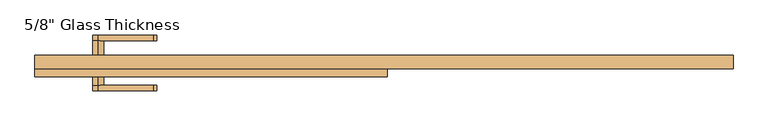
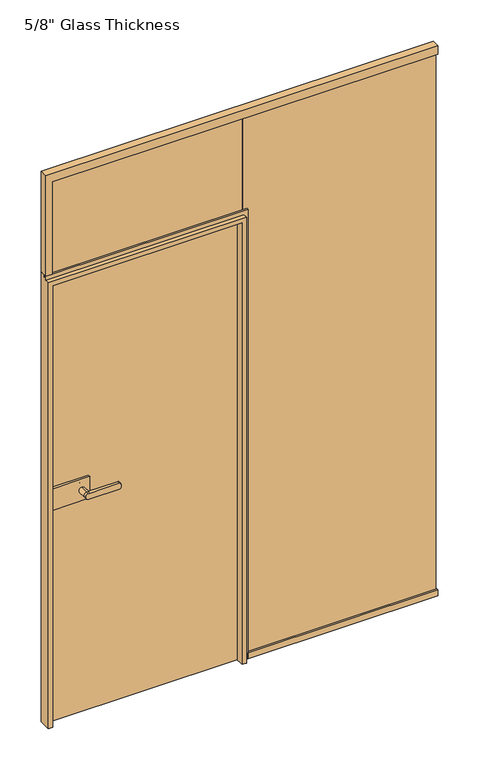
"""IFC4 building model written with IfcOpenShell, lengths in millimetres: door geometry."""

from ifc_helpers import new_model, si_unit, point, frame, frame_2d, origin, place, context, project, spatial, polyline, circle_curve, ellipse_curve, trimmed, segment, composite_curve, outline, extrude, faceted_brep, source, transform, mapped, element, save
from ifc_brep_helpers import plane_surface, cylinder_surface, extruded_surface, advanced_brep


def door_a9a97e19(model_context):
    return source(origin(), model_context, "Body", "SolidModel", [
        extrude(outline(composite_curve([segment(trimmed(circle_curve(frame_2d((940.0, -633.0)), 11.9886308), [point((951.9886308, -633.0))], [point((928.0113692, -633.0))], False, "CARTESIAN"), True, "CONTINUOUS"), segment(trimmed(circle_curve(frame_2d((940.0, -633.0)), 11.9886308), [point((928.0113692, -633.0))], [point((951.9886308, -633.0))], False, "CARTESIAN"), True, "CONTINUOUS")], self_intersect=False)), frame((0.0, 21.06, 0.0), z_axis=(0.0, 1.0, 0.0), x_axis=(0.0, 0.0, 1.0)), (0.0, 0.0, 1.0), 33.5),
        advanced_brep(
        [(-633.0, 54.56, 951.9886308), (-633.0, 54.56, 928.0113692), (-511.3382074, 54.56, 928.0113692), (-511.3382074, 54.56, 951.9886308), (-633.0, 67.06, 951.9886308), (-511.3382074, 67.06, 951.9886308), (-511.3382074, 67.06, 928.0113692), (-633.0, 67.06, 928.0113692)],
        [
            (0, 1, circle_curve(frame((-633.0, 54.56, 940.0), z_axis=(0.0, -1.0, 0.0), x_axis=(0.0, 0.0, -1.0)), 11.9886308)),
            (1, 2),
            (2, 3, ellipse_curve(frame((-511.3382074, 54.56, 940.0), z_axis=(0.0, -1.0, 0.0), x_axis=(0.0, 0.0, 1.0)), 11.9886308, 7.9050795)),
            (3, 0),
            (4, 5),
            (5, 6, ellipse_curve(frame((-511.3382074, 67.06, 940.0), z_axis=(0.0, 1.0, 0.0), x_axis=(0.0, 0.0, 1.0)), 11.9886308, 7.9050795)),
            (6, 7),
            (7, 4, circle_curve(frame((-633.0, 67.06, 940.0), z_axis=(0.0, 1.0, 0.0), x_axis=(0.0, 0.0, -1.0)), 11.9886308)),
            (3, 5),
            (4, 0),
            (2, 6),
            (1, 7),
        ],
        [
            plane_surface(frame((-511.3382074, 54.56, 951.9886308), z_axis=(0.0, -1.0, 0.0), x_axis=(1.0, 0.0, 0.0))),
            plane_surface(frame((-511.3382074, 67.06, 951.9886308), z_axis=(0.0, 1.0, 0.0), x_axis=(-1.0, 0.0, 0.0))),
            plane_surface(frame((-633.0, 54.56, 951.9886308), z_axis=(0.0, 0.0, 1.0), x_axis=(0.0, 1.0, 0.0))),
            extruded_surface(trimmed(ellipse_curve(frame((-511.3382074, 67.06, 940.0), z_axis=(0.0, 1.0, 0.0), x_axis=(0.0, 0.0, 1.0)), 11.9886308, 7.9050795), [point((-511.3382074, 67.06, 951.9886308))], [point((-511.3382074, 67.06, 928.0113692))], True, "CARTESIAN"), (0.0, 12.5, 0.0), 12.5),
            plane_surface(frame((-511.3382074, 54.56, 928.0113692), z_axis=(0.0, 0.0, -1.0), x_axis=(0.0, 1.0, 0.0))),
            cylinder_surface(frame((-633.0, 67.06, 940.0), z_axis=(0.0, -1.0, 0.0), x_axis=(0.0, 0.0, -1.0)), 11.9886308),
        ],
        [
            (0, [[1, 2, 3, 4]]),
            (1, [[5, 6, 7, 8]]),
            (2, [[9, -5, 10, -4]]),
            (3, [[11, -6, -9, -3]]),
            (4, [[12, -7, -11, -2]]),
            (5, [[-10, -8, -12, -1]]),
        ],
    ),
        extrude(outline(polyline([(-737.0, 11.06), (-737.0, 21.06), (-603.0, 21.06), (-603.0, 11.06), (-737.0, 11.06)])), frame((0.0, 0.0, 895.0), z_axis=(0.0, 0.0, 1.0), x_axis=(1.0, 0.0, 0.0)), (0.0, 0.0, 1.0), 90.0),
        extrude(outline(polyline([(-753.0, -10.94), (-753.0, -0.94), (-603.0, -0.94), (-603.0, -10.94), (-753.0, -10.94)])), frame((0.0, 0.0, 895.0), z_axis=(0.0, 0.0, 1.0), x_axis=(1.0, 0.0, 0.0)), (0.0, 0.0, 1.0), 90.0),
        advanced_brep(
        [(-633.0, -10.94, 951.9886308), (-633.0, -10.94, 928.0113692), (-633.0, -44.4398825, 951.9886308), (-633.0, -44.4398825, 928.0113692), (-633.0, -56.9399695, 951.9886308), (-633.0, -56.9399695, 928.0113692), (-511.3382074, -56.9399695, 928.0113692), (-511.3382074, -56.9399695, 951.9886308), (-511.3382074, -44.4398825, 951.9886308), (-511.3382074, -44.4398825, 928.0113692)],
        [
            (0, 1, circle_curve(frame((-633.0, -10.94, 940.0), z_axis=(0.0, 1.0, 0.0), x_axis=(0.0, 0.0, -1.0)), 11.9886308)),
            (1, 0, circle_curve(frame((-633.0, -10.94, 940.0), z_axis=(0.0, 1.0, 0.0), x_axis=(0.0, 0.0, -1.0)), 11.9886308)),
            (0, 2),
            (2, 3, circle_curve(frame((-633.0, -44.4398825, 940.0), z_axis=(0.0, 1.0, 0.0), x_axis=(0.0, 0.0, -1.0)), 11.9886308)),
            (3, 1),
            (3, 2, circle_curve(frame((-633.0, -44.4398825, 940.0), z_axis=(0.0, 1.0, 0.0), x_axis=(0.0, 0.0, -1.0)), 11.9886308)),
            (4, 5, circle_curve(frame((-633.0, -56.9399695, 940.0), z_axis=(0.0, -1.0, 0.0), x_axis=(0.0, 0.0, -1.0)), 11.9886308)),
            (5, 6),
            (6, 7, ellipse_curve(frame((-511.3382074, -56.9399695, 940.0), z_axis=(0.0, -1.0, 0.0), x_axis=(0.0, 0.0, 1.0)), 11.9886308, 7.9050795)),
            (7, 4),
            (2, 8),
            (8, 9, ellipse_curve(frame((-511.3382074, -44.4398825, 940.0), z_axis=(0.0, 1.0, 0.0), x_axis=(0.0, 0.0, 1.0)), 11.9886308, 7.9050795)),
            (9, 3),
            (7, 8),
            (2, 4),
            (6, 9),
            (5, 3),
        ],
        [
            plane_surface(frame((-633.0, -10.94, 928.0113692), z_axis=(0.0, 1.0, 0.0), x_axis=(1.0, 0.0, 0.0))),
            cylinder_surface(frame((-633.0, -10.94, 940.0), z_axis=(0.0, -1.0, 0.0), x_axis=(0.0, 0.0, -1.0)), 11.9886308),
            plane_surface(frame((-511.3382074, -56.9399695, 951.9886308), z_axis=(0.0, -1.0, 0.0), x_axis=(1.0, 0.0, 0.0))),
            plane_surface(frame((-511.3382074, -44.4398825, 951.9886308), z_axis=(0.0, 1.0, 0.0), x_axis=(-1.0, 0.0, 0.0))),
            plane_surface(frame((-633.0, -56.9399695, 951.9886308), z_axis=(0.0, 0.0, 1.0), x_axis=(0.0, 1.0, 0.0))),
            extruded_surface(trimmed(ellipse_curve(frame((-511.3382074, -44.4398825, 940.0), z_axis=(0.0, 1.0, 0.0), x_axis=(0.0, 0.0, 1.0)), 11.9886308, 7.9050795), [point((-511.3382074, -44.4398825, 951.9886308))], [point((-511.3382074, -44.4398825, 928.0113692))], True, "CARTESIAN"), (0.0, 12.500087000000004, 0.0), 12.500087000000004),
            plane_surface(frame((-511.3382074, -56.9399695, 928.0113692), z_axis=(0.0, 0.0, -1.0), x_axis=(0.0, 1.0, 0.0))),
            cylinder_surface(frame((-633.0, -44.4398825, 940.0), z_axis=(0.0, -1.0, 0.0), x_axis=(0.0, 0.0, -1.0)), 11.9886308),
        ],
        [
            (0, [[1, 2]]),
            (1, [[3, 4, 5, -1]]),
            (1, [[-5, 6, -3, -2]]),
            (2, [[7, 8, 9, 10]]),
            (3, [[-4, 11, 12, 13]]),
            (4, [[14, -11, 15, -10]]),
            (5, [[16, -12, -14, -9]]),
            (6, [[17, -13, -16, -8]]),
            (7, [[-15, -6, -17, -7]]),
        ],
    ),
        extrude(outline(polyline([(8.0, 0.0), (-760.0, 0.0), (-760.0, 8.0), (8.0, 8.0), (8.0, 0.0)])), frame((0.0, 0.0, 1867.2), z_axis=(0.0, 0.0, 1.0), x_axis=(1.0, 0.0, 0.0)), (0.0, 0.0, 1.0), 412.8),
        faceted_brep([(778.0, 22.06, 2300.0), (778.0, -7.94, 2300.0), (778.0, -7.94, 2265.0), (778.0, 0.0, 2265.0), (778.0, 0.0, 2280.0), (778.0, 8.0, 2280.0), (778.0, 8.0, 2265.0), (778.0, 22.06, 2265.0), (-774.0, 22.06, 2300.0), (-774.0, 22.06, 1880.0), (-774.0, -7.94, 1880.0), (-774.0, -7.94, 2300.0), (-748.0, 22.06, 2265.0), (-748.0, 22.06, 1880.0), (-748.0, 8.0, 2265.0), (-762.0, 8.0, 2280.0), (-762.0, 8.0, 1880.0), (-748.0, 8.0, 1880.0), (-762.0, 0.0, 2280.0), (-748.0, 0.0, 2265.0), (-748.0, 0.0, 1880.0), (-762.0, 0.0, 1880.0), (-748.0, -7.94, 2265.0), (-748.0, -7.94, 1880.0)], [[[0, 1, 2, 3, 4, 5, 6, 7]], [[8, 9, 10, 11]], [[7, 12, 13, 9, 8, 0]], [[6, 14, 12, 7]], [[5, 15, 16, 17, 14, 6]], [[18, 15, 5, 4]], [[3, 19, 20, 21, 18, 4]], [[2, 22, 19, 3]], [[1, 11, 10, 23, 22, 2]], [[8, 11, 1, 0]], [[10, 9, 13, 17, 16, 21, 20, 23]], [[13, 12, 14, 17]], [[15, 18, 21, 16]], [[20, 19, 22, 23]]]),
        faceted_brep([(-744.0, 22.06, 0.0), (-744.0, 11.06, 0.0), (-756.9, 11.06, 0.0), (-756.9, -25.94, 0.0), (-774.0, -25.94, 0.0), (-774.0, 22.06, 0.0), (-744.0, 22.06, 1833.0), (-744.0, 11.06, 1833.0), (-756.9, 11.06, 1845.9), (-756.9, -25.94, 1845.9), (-774.0, -25.94, 1863.0), (-774.0, -7.94, 1863.0), (-774.0, -7.94, 1880.0), (-774.0, 0.0, 1880.0), (-774.0, 0.0, 1866.0), (-774.0, 8.0, 1866.0), (-774.0, 8.0, 1880.0), (-774.0, 22.06, 1880.0), (-8.1, 11.06, 0.0), (-21.0, 11.06, 0.0), (-21.0, 22.06, 0.0), (26.0, 22.06, 0.0), (26.0, 8.0, 0.0), (12.0, 8.0, 0.0), (12.0, 0.0, 0.0), (26.0, 0.0, 0.0), (26.0, -7.94, 0.0), (9.0, -7.94, 0.0), (9.0, -25.94, 0.0), (-8.1, -25.94, 0.0), (-21.0, 11.06, 1833.0), (-21.0, 22.06, 1833.0), (26.0, 22.06, 1880.0), (26.0, 8.0, 1880.0), (12.0, 8.0, 1866.0), (12.0, 0.0, 1866.0), (26.0, 0.0, 1880.0), (26.0, -7.94, 1880.0), (9.0, -7.94, 1863.0), (9.0, -25.94, 1863.0), (-8.1, -25.94, 1845.9), (-8.1, 11.06, 1845.9)], [[[0, 1, 2, 3, 4, 5]], [[0, 6, 7, 1]], [[8, 9, 3, 2]], [[4, 10, 11, 12, 13, 14, 15, 16, 17, 5]], [[18, 19, 20, 21, 22, 23, 24, 25, 26, 27, 28, 29]], [[19, 30, 31, 20]], [[21, 32, 33, 22]], [[23, 34, 35, 24]], [[25, 36, 37, 26]], [[27, 38, 39, 28]], [[29, 40, 41, 18]], [[1, 7, 30, 19, 18, 41, 8, 2]], [[3, 9, 40, 29, 28, 39, 10, 4]], [[17, 32, 21, 20, 31, 6, 0, 5]], [[30, 7, 6, 31]], [[16, 33, 32, 17]], [[15, 34, 23, 22, 33, 16]], [[14, 35, 34, 15]], [[13, 36, 25, 24, 35, 14]], [[12, 37, 36, 13]], [[11, 38, 27, 26, 37, 12]], [[10, 39, 38, 11]], [[40, 9, 8, 41]]]),
        extrude(outline(polyline([(22.06, 0.0), (-7.94, 0.0), (-7.94, 26.0), (0.0, 26.0), (0.0, 13.0), (8.0, 13.0), (8.0, 26.0), (22.06, 26.0), (22.06, 0.0)])), frame((26.0, 0.0, 0.0), z_axis=(1.0, 0.0, 0.0), x_axis=(0.0, 1.0, 0.0)), (0.0, 0.0, 1.0), 752.0),
        extrude(outline(polyline([(774.0, 0.0), (12.0, 0.0), (12.0, 8.0), (774.0, 8.0), (774.0, 0.0)])), frame((0.0, 0.0, 13.0), z_axis=(0.0, 0.0, 1.0), x_axis=(1.0, 0.0, 0.0)), (0.0, 0.0, 1.0), 2267.0),
        extrude(outline(polyline([(-13.0, -0.94), (-753.0, -0.94), (-753.0, 11.06), (-13.0, 11.06), (-13.0, -0.94)])), frame((0.0, 0.0, 7.0), z_axis=(0.0, 0.0, 1.0), x_axis=(1.0, 0.0, 0.0)), (0.0, 0.0, 1.0), 1835.0),
    ])


if __name__ == "__main__":
    model = new_model("IFC4")
    model_context = context("Model", 3, world=origin())
    ifc_project = project(units=[si_unit("LENGTHUNIT", "METRE", prefix="MILLI")], contexts=[model_context])
    site = spatial("IfcSite", under=ifc_project)
    building = spatial("IfcBuilding", under=site)
    placement = place(None, origin())
    door_shape = door_a9a97e19(model_context)
    element("IfcDoor", 1, ObjectType="5/8\" Glass Thickness", at=placement, inside=building, context=model_context, shape_type="MappedRepresentation", body=[
        mapped(door_shape, transform((0.0, 0.0, 0.0), x_axis=(1.0, 0.0, 0.0), y_axis=(0.0, 1.0, 0.0), z_axis=(0.0, 0.0, 1.0))),
    ])
    save(model, "model.ifc")
